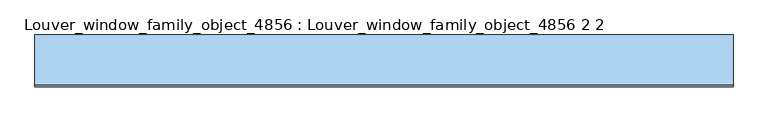
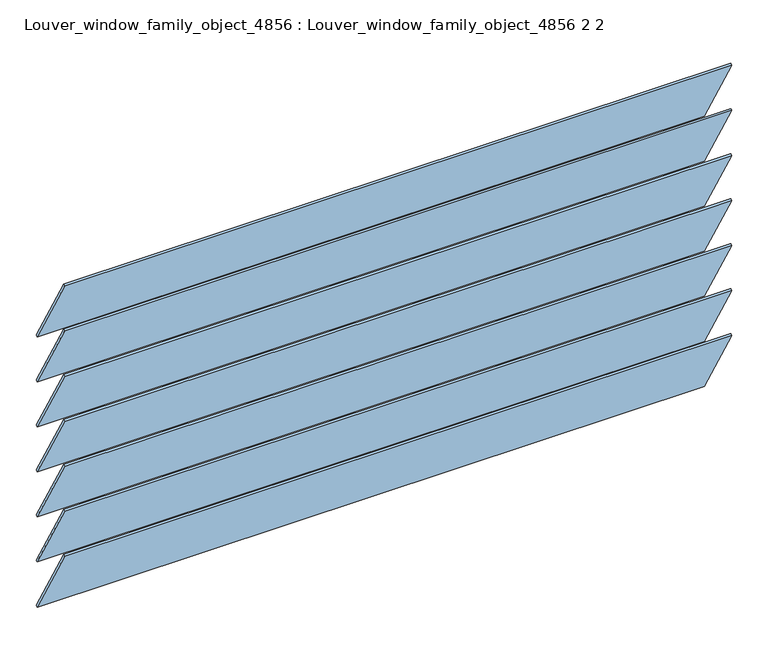
"""IFC4 building model written with IfcOpenShell, lengths in millimetres: window geometry, Louver_window_family_object_4856 : Louver_window_family_object_4856 2 2."""

from ifc_helpers import new_model, si_unit, point, frame, frame_2d, origin, place, context, project, spatial, polyline, circle_curve, trimmed, segment, composite_curve, outline, extrude, source, transform, mapped, element, save


def louver_window_family_object_4856_louver_window_family_object_a28216a1(model_context):
    return source(origin(), model_context, "Body", "SweptSolid", [
        extrude(outline(composite_curve([segment(trimmed(circle_curve(frame_2d((0.0, 1676.4)), 76.2), [point((-39.4665462, 1741.5830632))], [point((-36.7169155, 1743.1705632))], False, "CARTESIAN"), True, "CONTINUOUS"), segment(polyline([(-36.7169155, 1743.1705632), (39.4665462, 1611.2169368)]), True, "CONTINUOUS"), segment(trimmed(circle_curve(frame_2d((0.0, 1676.4)), 76.2), [point((39.4665462, 1611.2169368))], [point((36.7169155, 1609.6294368))], False, "CARTESIAN"), True, "CONTINUOUS"), segment(polyline([(36.7169155, 1609.6294368), (-39.4665462, 1741.5830632)]), True, "CONTINUOUS")], self_intersect=False)), frame((-533.4, 0.0, 0.0), z_axis=(1.0, 0.0, 0.0), x_axis=(0.0, 1.0, 0.0)), (0.0, 0.0, 1.0), 1066.8),
        extrude(outline(composite_curve([segment(trimmed(circle_curve(frame_2d((0.0, 1600.2)), 76.2), [point((-39.4665462, 1665.3830632))], [point((-36.7169155, 1666.9705632))], False, "CARTESIAN"), True, "CONTINUOUS"), segment(polyline([(-36.7169155, 1666.9705632), (39.4665462, 1535.0169368)]), True, "CONTINUOUS"), segment(trimmed(circle_curve(frame_2d((0.0, 1600.2)), 76.2), [point((39.4665462, 1535.0169368))], [point((36.7169155, 1533.4294368))], False, "CARTESIAN"), True, "CONTINUOUS"), segment(polyline([(36.7169155, 1533.4294368), (-39.4665462, 1665.3830632)]), True, "CONTINUOUS")], self_intersect=False)), frame((-533.4, 0.0, 0.0), z_axis=(1.0, 0.0, 0.0), x_axis=(0.0, 1.0, 0.0)), (0.0, 0.0, 1.0), 1066.8),
        extrude(outline(composite_curve([segment(trimmed(circle_curve(frame_2d((0.0, 1524.0)), 76.2), [point((-39.4665462, 1589.1830632))], [point((-36.7169155, 1590.7705632))], False, "CARTESIAN"), True, "CONTINUOUS"), segment(polyline([(-36.7169155, 1590.7705632), (39.4665462, 1458.8169368)]), True, "CONTINUOUS"), segment(trimmed(circle_curve(frame_2d((0.0, 1524.0)), 76.2), [point((39.4665462, 1458.8169368))], [point((36.7169155, 1457.2294368))], False, "CARTESIAN"), True, "CONTINUOUS"), segment(polyline([(36.7169155, 1457.2294368), (-39.4665462, 1589.1830632)]), True, "CONTINUOUS")], self_intersect=False)), frame((-533.4, 0.0, 0.0), z_axis=(1.0, 0.0, 0.0), x_axis=(0.0, 1.0, 0.0)), (0.0, 0.0, 1.0), 1066.8),
        extrude(outline(composite_curve([segment(trimmed(circle_curve(frame_2d((0.0, 1447.8)), 76.2), [point((-39.4665462, 1512.9830632))], [point((-36.7169155, 1514.5705632))], False, "CARTESIAN"), True, "CONTINUOUS"), segment(polyline([(-36.7169155, 1514.5705632), (39.4665462, 1382.6169368)]), True, "CONTINUOUS"), segment(trimmed(circle_curve(frame_2d((0.0, 1447.8)), 76.2), [point((39.4665462, 1382.6169368))], [point((36.7169155, 1381.0294368))], False, "CARTESIAN"), True, "CONTINUOUS"), segment(polyline([(36.7169155, 1381.0294368), (-39.4665462, 1512.9830632)]), True, "CONTINUOUS")], self_intersect=False)), frame((-533.4, 0.0, 0.0), z_axis=(1.0, 0.0, 0.0), x_axis=(0.0, 1.0, 0.0)), (0.0, 0.0, 1.0), 1066.8),
        extrude(outline(composite_curve([segment(trimmed(circle_curve(frame_2d((0.0, 1371.6)), 76.2), [point((-39.4665462, 1436.7830632))], [point((-36.7169155, 1438.3705632))], False, "CARTESIAN"), True, "CONTINUOUS"), segment(polyline([(-36.7169155, 1438.3705632), (39.4665462, 1306.4169368)]), True, "CONTINUOUS"), segment(trimmed(circle_curve(frame_2d((0.0, 1371.6)), 76.2), [point((39.4665462, 1306.4169368))], [point((36.7169155, 1304.8294368))], False, "CARTESIAN"), True, "CONTINUOUS"), segment(polyline([(36.7169155, 1304.8294368), (-39.4665462, 1436.7830632)]), True, "CONTINUOUS")], self_intersect=False)), frame((-533.4, 0.0, 0.0), z_axis=(1.0, 0.0, 0.0), x_axis=(0.0, 1.0, 0.0)), (0.0, 0.0, 1.0), 1066.8),
        extrude(outline(composite_curve([segment(trimmed(circle_curve(frame_2d((0.0, 1752.6)), 76.2), [point((-39.4665462, 1817.7830632))], [point((-36.7169155, 1819.3705632))], False, "CARTESIAN"), True, "CONTINUOUS"), segment(polyline([(-36.7169155, 1819.3705632), (39.4665462, 1687.4169368)]), True, "CONTINUOUS"), segment(trimmed(circle_curve(frame_2d((0.0, 1752.6)), 76.2), [point((39.4665462, 1687.4169368))], [point((36.7169155, 1685.8294368))], False, "CARTESIAN"), True, "CONTINUOUS"), segment(polyline([(36.7169155, 1685.8294368), (-39.4665462, 1817.7830632)]), True, "CONTINUOUS")], self_intersect=False)), frame((-533.4, 0.0, 0.0), z_axis=(1.0, 0.0, 0.0), x_axis=(0.0, 1.0, 0.0)), (0.0, 0.0, 1.0), 1066.8),
        extrude(outline(composite_curve([segment(trimmed(circle_curve(frame_2d((0.0, 1295.4)), 76.2), [point((-39.4665462, 1360.5830632))], [point((-36.7169155, 1362.1705632))], False, "CARTESIAN"), True, "CONTINUOUS"), segment(polyline([(-36.7169155, 1362.1705632), (39.4665462, 1230.2169368)]), True, "CONTINUOUS"), segment(trimmed(circle_curve(frame_2d((0.0, 1295.4)), 76.2), [point((39.4665462, 1230.2169368))], [point((36.7169155, 1228.6294368))], False, "CARTESIAN"), True, "CONTINUOUS"), segment(polyline([(36.7169155, 1228.6294368), (-39.4665462, 1360.5830632)]), True, "CONTINUOUS")], self_intersect=False)), frame((-533.4, 0.0, 0.0), z_axis=(1.0, 0.0, 0.0), x_axis=(0.0, 1.0, 0.0)), (0.0, 0.0, 1.0), 1066.8),
    ])


if __name__ == "__main__":
    model = new_model("IFC4")
    model_context = context("Model", 3, world=origin())
    ifc_project = project(units=[si_unit("LENGTHUNIT", "METRE", prefix="MILLI")], contexts=[model_context])
    site = spatial("IfcSite", under=ifc_project)
    building = spatial("IfcBuilding", under=site)
    placement = place(None, origin())
    louver_window_family_object_4856_louver_window_family_object_shape = louver_window_family_object_4856_louver_window_family_object_a28216a1(model_context)
    element("IfcWindow", 1, ObjectType="Louver_window_family_object_4856 : Louver_window_family_object_4856 2 2", at=placement, inside=building, context=model_context, shape_type="MappedRepresentation", body=[
        mapped(louver_window_family_object_4856_louver_window_family_object_shape, transform((0.0, 0.0, 0.0), x_axis=(1.0, 0.0, 0.0), y_axis=(0.0, 1.0, 0.0), z_axis=(0.0, 0.0, 1.0))),
    ])
    save(model, "model.ifc")
